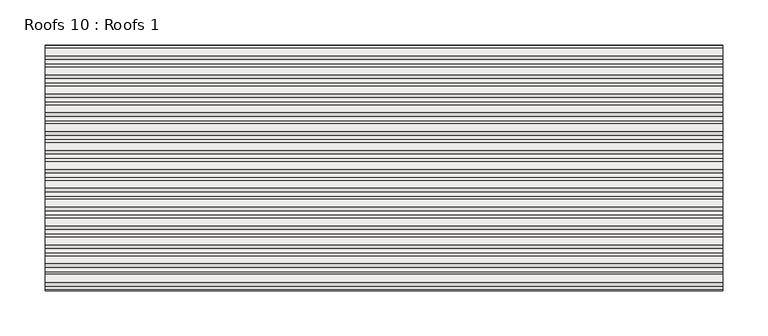
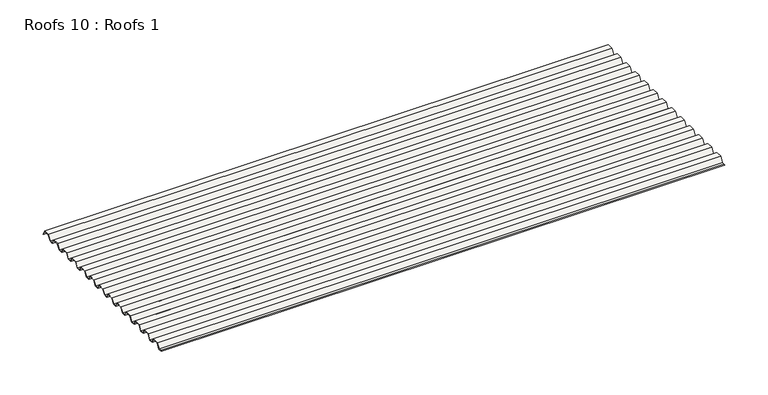
"""IFC4 building model written with IfcOpenShell, lengths in millimetres: roof geometry, Roofs 10 : Roofs 1."""

from ifc_helpers import new_model, si_unit, frame, origin, place, context, project, spatial, polyline, outline, extrude, source, transform, mapped, element, save


def roofs_10_roofs_1_36489a7b(model_context):
    return source(origin(), model_context, "Body", "SweptSolid", [
        extrude(outline(polyline([(-9498.8136811, 23.8967546), (-9504.1340331, 23.8967546), (-9502.6524582, 24.2936296), (-9499.0291486, 24.2936296), (-9494.907277, 30.639777), (-9486.2475422, 30.639777), (-9483.0145815, 24.2936296), (-9478.1529215, 24.2936296), (-9474.03105, 30.639777), (-9465.3713152, 30.639777), (-9462.1383544, 24.2936296), (-9457.2766945, 24.2936296), (-9453.1548229, 30.639777), (-9444.4950881, 30.639777), (-9441.2621273, 24.2936296), (-9436.4004674, 24.2936296), (-9432.2785958, 30.639777), (-9423.618861, 30.639777), (-9420.3859003, 24.2936296), (-9415.5242403, 24.2936296), (-9411.4023688, 30.639777), (-9402.742634, 30.639777), (-9399.5096732, 24.2936296), (-9394.6480132, 24.2936296), (-9390.5261417, 30.639777), (-9381.8664069, 30.639777), (-9378.6334461, 24.2936296), (-9373.7717862, 24.2936296), (-9369.6499146, 30.639777), (-9360.9901798, 30.639777), (-9357.7572191, 24.2936296), (-9352.8955591, 24.2936296), (-9348.7736876, 30.639777), (-9340.1139528, 30.639777), (-9336.880992, 24.2936296), (-9332.019332, 24.2936296), (-9327.8974605, 30.639777), (-9319.2377257, 30.639777), (-9316.0047649, 24.2936296), (-9311.143105, 24.2936296), (-9307.0212334, 30.639777), (-9298.3614986, 30.639777), (-9295.1285378, 24.2936296), (-9290.2668779, 24.2936296), (-9286.1450063, 30.639777), (-9277.4852716, 30.639777), (-9274.2523108, 24.2936296), (-9269.3906508, 24.2936296), (-9265.2687793, 30.639777), (-9256.6090445, 30.639777), (-9253.3760837, 24.2936296), (-9248.5144238, 24.2936296), (-9244.3925522, 30.639777), (-9235.7328174, 30.639777), (-9232.7757887, 24.8352711), (-9232.7430812, 23.8967546), (-9235.9760419, 30.242902), (-9244.1770848, 30.242902), (-9248.2989563, 23.8967546), (-9253.6193082, 23.8967546), (-9256.852269, 30.242902), (-9265.0533118, 30.242902), (-9269.1751834, 23.8967546), (-9274.4955353, 23.8967546), (-9277.7284961, 30.242902), (-9285.9295389, 30.242902), (-9290.0514104, 23.8967546), (-9295.3717624, 23.8967546), (-9298.6047232, 30.242902), (-9306.805766, 30.242902), (-9310.9276375, 23.8967546), (-9316.2479894, 23.8967546), (-9319.4809502, 30.242902), (-9327.681993, 30.242902), (-9331.8038646, 23.8967546), (-9337.1242165, 23.8967546), (-9340.3571773, 30.242902), (-9348.5582201, 30.242902), (-9352.6800917, 23.8967546), (-9358.0004436, 23.8967546), (-9361.2334044, 30.242902), (-9369.4344472, 30.242902), (-9373.5563187, 23.8967546), (-9378.8766707, 23.8967546), (-9382.1096314, 30.242902), (-9390.3106742, 30.242902), (-9394.4325458, 23.8967546), (-9399.7528977, 23.8967546), (-9402.9858585, 30.242902), (-9411.1869013, 30.242902), (-9415.3087729, 23.8967546), (-9420.6291248, 23.8967546), (-9423.8620856, 30.242902), (-9432.0631284, 30.242902), (-9436.1849999, 23.8967546), (-9441.5053519, 23.8967546), (-9444.7383126, 30.242902), (-9452.9393554, 30.242902), (-9457.061227, 23.8967546), (-9462.3815789, 23.8967546), (-9465.6145397, 30.242902), (-9473.8155825, 30.242902), (-9477.9374541, 23.8967546), (-9483.257806, 23.8967546), (-9486.4907668, 30.242902), (-9494.6918096, 30.242902), (-9498.8136811, 23.8967546)])), frame((-2537.9542149, 0.0, 0.0), z_axis=(1.0, 0.0, 0.0), x_axis=(0.0, 1.0, 0.0)), (0.0, 0.0, 1.0), 749.1973398),
    ])


if __name__ == "__main__":
    model = new_model("IFC4")
    model_context = context("Model", 3, world=origin())
    ifc_project = project(units=[si_unit("LENGTHUNIT", "METRE", prefix="MILLI")], contexts=[model_context])
    site = spatial("IfcSite", under=ifc_project)
    building = spatial("IfcBuilding", under=site)
    placement = place(None, origin())
    roofs_10_roofs_1_shape = roofs_10_roofs_1_36489a7b(model_context)
    element("IfcRoof", 1, ObjectType="Roofs 10 : Roofs 1", at=placement, inside=building, context=model_context, shape_type="MappedRepresentation", body=[
        mapped(roofs_10_roofs_1_shape, transform((0.0, 0.0, 0.0), x_axis=(1.0, 0.0, 0.0), y_axis=(0.0, 1.0, 0.0), z_axis=(0.0, 0.0, 1.0))),
    ])
    save(model, "model.ifc")
